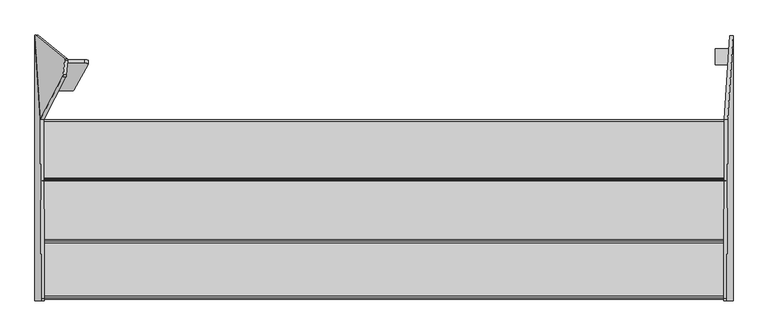
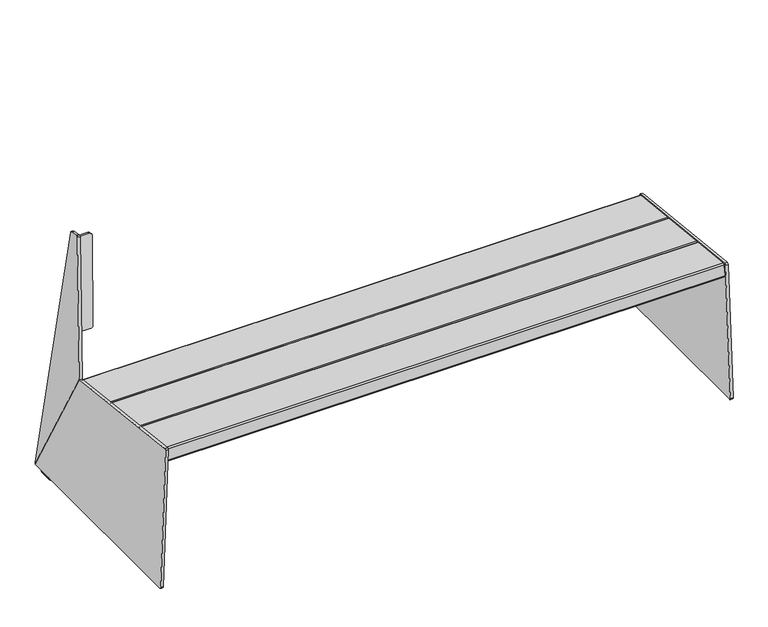
"""IFC4 building model written with IfcOpenShell, lengths in millimetres: furniture geometry."""

from ifc_helpers import new_model, si_unit, point, frame, frame_2d, origin, place, context, project, spatial, polyline, circle_curve, trimmed, segment, composite_curve, outline, extrude, source, transform, mapped, element, save
from ifc_brep_helpers import plane_surface, cylinder_surface, revolved_surface, advanced_brep


def furniture_b80bb761(model_context):
    return source(origin(), model_context, "Body", "SolidModel", [
        advanced_brep(
        [(873.0307512, 303.3438949, 8.0), (874.0654063, 303.3438949, 9.0714168), (874.0331922, 303.3438949, 9.9939083), (882.0283188, 303.3438949, 10.2731042), (882.0283188, 303.3438949, 8.2703475), (874.0907197, 303.3438949, 0.0), (836.3870635, 303.3438949, 0.0), (836.3870635, 303.3438949, 8.0), (873.0307512, 263.3438949, 8.0), (836.3870635, 263.3438949, 8.0), (836.3870635, 263.3438949, 0.0), (874.0907197, 263.3438949, 0.0), (882.0283188, 263.3438949, 8.2703475), (882.0283188, 263.3438949, 10.2731042), (874.0331922, 263.3438949, 9.9939083), (874.0654063, 263.3438949, 9.0714168), (874.0331922, -329.3438949, 9.9939083), (873.8935942, -333.3438949, 13.9914716), (858.5224217, -333.3438949, 454.1642618), (858.3836482, -328.9097929, 458.1382142), (860.1128644, 124.9540587, 408.6199423), (873.9954468, 336.0793859, 11.0747965), (874.0331922, 333.3438949, 9.9939083), (868.107991, 124.9540587, 408.8991383), (866.3787748, -328.9097929, 458.4174101), (866.5175483, -333.3438949, 454.4434578), (881.8887208, -333.3438949, 14.2706676), (882.0283188, -329.3438949, 10.2731042), (882.0283188, 333.3438949, 10.2731042), (881.9905734, 336.0793859, 11.3539925)],
        [
            (0, 1, circle_curve(frame((873.0307512, 303.3438949, 9.0352858), z_axis=(0.0, -1.0, 0.0), x_axis=(-1.0, 0.0, 0.0)), 1.0352858)),
            (1, 2),
            (2, 3),
            (3, 4),
            (4, 5, circle_curve(frame((873.7509968, 303.3438949, 8.2703475), z_axis=(0.0, 1.0, 0.0), x_axis=(-1.0, 0.0, 0.0)), 8.277322)),
            (5, 6),
            (6, 7),
            (7, 0),
            (8, 9),
            (9, 10),
            (10, 11),
            (11, 12, circle_curve(frame((873.7509968, 263.3438949, 8.2703475), z_axis=(0.0, -1.0, 0.0), x_axis=(-1.0, 0.0, 0.0)), 8.277322)),
            (12, 13),
            (13, 14),
            (14, 15),
            (15, 8, circle_curve(frame((873.0307512, 263.3438949, 9.0352858), z_axis=(0.0, 1.0, 0.0), x_axis=(-1.0, 0.0, 0.0)), 1.0352858)),
            (0, 8),
            (15, 1),
            (14, 16),
            (16, 17, circle_curve(frame((873.8935942, -329.3438949, 13.9914716), z_axis=(-0.9993908270190959, 0.0, -0.0348994967025008), x_axis=(0.0348994967025008, 0.0, -0.9993908270190959)), 4.0)),
            (17, 18),
            (18, 19, circle_curve(frame((858.5224217, -329.3438949, 454.1642618), z_axis=(-0.9993908270190959, 0.0, -0.0348994967025008), x_axis=(0.0348994967025008, 0.0, -0.9993908270190959)), 4.0)),
            (19, 20),
            (20, 21),
            (21, 22, circle_curve(frame((873.8935897, 333.3438949, 13.9916002), z_axis=(-0.9993908270190959, 0.0, -0.0348994967025008), x_axis=(0.0348994967025008, 0.0, -0.9993908270190959)), 4.0001287)),
            (22, 2),
            (5, 11),
            (10, 6),
            (9, 7),
            (3, 13),
            (12, 4),
            (23, 24),
            (24, 25, circle_curve(frame((866.5175483, -329.3438949, 454.4434578), z_axis=(0.9993908270190959, 0.0, 0.0348994967025008), x_axis=(0.0348994967025008, 0.0, -0.9993908270190959)), 4.0)),
            (25, 26),
            (26, 27, circle_curve(frame((881.8887208, -329.3438949, 14.2706676), z_axis=(0.9993908270190959, 0.0, 0.0348994967025008), x_axis=(0.0348994967025008, 0.0, -0.9993908270190959)), 4.0)),
            (27, 13),
            (3, 28),
            (28, 29, circle_curve(frame((881.8887163, 333.3438949, 14.2707962), z_axis=(0.9993908270190959, 0.0, 0.0348994967025008), x_axis=(0.0348994967025008, 0.0, -0.9993908270190959)), 4.0001287)),
            (29, 23),
            (29, 21),
            (20, 23),
            (28, 22),
            (27, 16),
            (26, 17),
            (25, 18),
            (24, 19),
        ],
        [
            plane_surface(frame((871.9954653, 303.3438949, 9.0352858), z_axis=(0.0, 1.0, 0.0), x_axis=(0.0, 0.0, -1.0))),
            plane_surface(frame((871.9954653, 263.3438949, 9.0352858), z_axis=(0.0, -1.0, 0.0), x_axis=(0.0, 0.0, 1.0))),
            revolved_surface(polyline([(871.9954654000001, 263.3438949, 9.0352858), (871.9954654000001, 303.3438949, 9.0352858)]), (873.0307512, 263.3438949, 9.0352858), (0.0, -1.0, 0.0)),
            plane_surface(frame((874.0654063, 303.3438949, 9.0714168), z_axis=(-0.9993908270190954, 0.0, -0.034899496702511176), x_axis=(0.0, -1.0, 0.0))),
            plane_surface(frame((874.0907197, 303.3438949, 0.0), z_axis=(0.0, 0.0, -1.0), x_axis=(0.0, -1.0, 0.0))),
            plane_surface(frame((836.3870635, 303.3438949, 0.0), z_axis=(-1.0, 0.0, 0.0), x_axis=(0.0, -1.0, 0.0))),
            plane_surface(frame((836.3870635, 303.3438949, 8.0), z_axis=(0.0, 0.0, 1.0), x_axis=(0.0, -1.0, 0.0))),
            plane_surface(frame((882.0283188, 303.3438949, 10.2731042), z_axis=(1.0, 0.0, 0.0), x_axis=(0.0, -1.0, 0.0))),
            cylinder_surface(frame((873.7509968, 263.3438949, 8.2703475), z_axis=(0.0, 1.0, 0.0), x_axis=(-1.0, 0.0, 0.0)), 8.277322),
            plane_surface(frame((866.3783233, -329.0282995, 458.4303396), z_axis=(0.9993908270190958, 0.0, 0.0348994967025008), x_axis=(-0.003787485651423016, -0.9940936645240769, 0.10845939841955862))),
            plane_surface(frame((881.9905734, 336.0793859, 11.3539925), z_axis=(-0.01636123681982749, 0.8832989769010681, 0.4685245215943901), x_axis=(-0.9993908270190959, 0.0, -0.03489949670249758))),
            cylinder_surface(frame((873.8935897, 333.3438949, 13.9916002), z_axis=(0.9993908270190959, 0.0, 0.0348994967025008), x_axis=(0.0348994967025008, 0.0, -0.9993908270190959)), 4.0001287),
            plane_surface(frame((882.0283188, -329.3438949, 10.2731042), z_axis=(0.03489949670249758, 0.0, -0.9993908270190959), x_axis=(-0.9993908270190959, 0.0, -0.03489949670249758))),
            cylinder_surface(frame((873.8935942, -329.3438949, 13.9914716), z_axis=(0.9993908270190959, 0.0, 0.0348994967025008), x_axis=(0.0348994967025008, 0.0, -0.9993908270190959)), 4.0),
            plane_surface(frame((866.5175483, -333.3438949, 454.4434578), z_axis=(0.0, -1.0, 0.0), x_axis=(-0.9993908270190959, 0.0, -0.03489949670249758))),
            cylinder_surface(frame((858.5224217, -329.3438949, 454.1642618), z_axis=(0.9993908270190959, 0.0, 0.0348994967025008), x_axis=(0.0348994967025008, 0.0, -0.9993908270190959)), 4.0),
            plane_surface(frame((868.107991, 124.9540587, 408.8991383), z_axis=(-0.03469336856704016, 0.10852550922751891, 0.9934880895231605), x_axis=(-0.9993908270190955, 0.0, -0.034899496702506035))),
        ],
        [
            (0, [[1, 2, 3, 4, 5, 6, 7, 8]]),
            (1, [[9, 10, 11, 12, 13, 14, 15, 16]]),
            (2, [[-1, 17, -16, 18]]),
            (3, [[-2, -18, -15, 19, 20, 21, 22, 23, 24, 25, 26]]),
            (4, [[-6, 27, -11, 28]]),
            (5, [[-7, -28, -10, 29]]),
            (6, [[-8, -29, -9, -17]]),
            (7, [[-4, 30, -13, 31]]),
            (8, [[-5, -31, -12, -27]]),
            (9, [[32, 33, 34, 35, 36, -30, 37, 38, 39]]),
            (10, [[-39, 40, -24, 41]]),
            (11, [[-38, 42, -25, -40]]),
            (12, [[-42, -37, -3, -26]]),
            (12, [[43, -19, -14, -36]]),
            (13, [[-35, 44, -20, -43]]),
            (14, [[-34, 45, -21, -44]]),
            (15, [[-33, 46, -22, -45]]),
            (16, [[-32, -41, -23, -46]]),
        ],
    ),
        advanced_brep(
        [(-811.3096872, 233.1863633, 787.1699382), (-810.3276205, 238.1221055, 789.8133119), (-806.4856825, 274.3357333, 778.4787482), (-806.476674, 277.1577, 774.9426086), (-881.1339288, 337.9713039, 14.8944279), (-881.7986014, 336.1005897, 11.2206695), (-867.9108416, 124.8996282, 408.9101314), (-803.4334696, 232.080936, 786.3078325), (-860.0346239, 123.794201, 408.0480257), (-873.9223837, 334.9951625, 10.3585639), (-873.2577111, 336.8658767, 14.0323223), (-798.6004563, 276.0522727, 774.080503), (-798.6094648, 273.230306, 777.6166426), (-802.4514029, 237.0166783, 788.9512062), (-800.4996194, 275.0977695, 757.9536062), (-838.1688084, 205.1850931, 503.4518959), (-839.1302779, 196.4631475, 505.8515241), (-801.461089, 266.3758239, 760.3532344), (-755.3146024, 275.0158862, 757.8881152), (-747.4133782, 272.5788357, 749.0639533), (-783.5721679, 206.9046912, 509.9877088), (-791.5034385, 205.1005271, 503.3842593), (-791.5157714, 196.3768615, 505.7825119), (-783.5845007, 198.1810256, 512.3859614), (-747.4257111, 263.8551701, 751.4622058), (-755.3269352, 266.2922205, 760.2863677)],
        [
            (0, 1, circle_curve(frame((-810.9011589, 236.9951872, 786.0184326), z_axis=(-0.9845272064646956, 0.1381784067166262, 0.10776320173453151), x_axis=(-0.10809843818608315, 0.005098251508800459, -0.9941271224009949)), 4.0)),
            (1, 2),
            (2, 3, circle_curve(frame((-807.0592208, 273.2088149, 774.683869), z_axis=(-0.9845272064646956, 0.1381784067166262, 0.10776320173453151), x_axis=(-0.10809843818608315, 0.005098251508800459, -0.9941271224009949)), 4.0)),
            (3, 4),
            (4, 5, circle_curve(frame((-881.7160714, 334.025159, 14.6358678), z_axis=(-0.9845272064646956, 0.1381784067166262, 0.10776320173453151), x_axis=(-0.10809843818608315, 0.005098251508800459, -0.9941271224009949)), 3.9972244)),
            (5, 6),
            (6, 0),
            (7, 8),
            (8, 9),
            (9, 10, circle_curve(frame((-873.8398538, 332.9197317, 13.7737622), z_axis=(0.9845272064646956, -0.1381784067166262, -0.10776320173453151), x_axis=(-0.10809843818608315, 0.005098251508800459, -0.9941271224009949)), 3.9972244)),
            (10, 11),
            (11, 12, circle_curve(frame((-799.1830032, 272.1033877, 773.8217633), z_axis=(0.9845272064646956, -0.1381784067166262, -0.10776320173453151), x_axis=(-0.10809843818608315, 0.005098251508800459, -0.9941271224009949)), 4.0)),
            (12, 13),
            (13, 7, circle_curve(frame((-803.0249412, 235.8897599, 785.156327), z_axis=(0.9845272064646956, -0.1381784067166262, -0.10776320173453151), x_axis=(-0.10809843818608315, 0.005098251508800459, -0.9941271224009949)), 4.0)),
            (14, 15),
            (15, 16),
            (16, 17),
            (17, 14),
            (0, 7),
            (13, 1),
            (12, 2),
            (11, 3),
            (10, 4),
            (9, 5),
            (8, 6),
            (18, 19, circle_curve(frame((-755.3296256, 272.8952788, 750.1743095), z_axis=(0.0013631459484884367, 0.9642258427672697, -0.26507860338562145), x_axis=(0.14431455675225052, 0.2621142782788856, 0.9541852093968657)), 8.0)),
            (19, 20),
            (20, 21, circle_curve(frame((-791.4884153, 207.2211344, 511.098065), z_axis=(0.0013631459484884367, 0.9642258427672697, -0.26507860338562145), x_axis=(0.14431455675225052, 0.2621142782788856, 0.9541852093968657)), 8.0)),
            (21, 15),
            (14, 18),
            (22, 23, circle_curve(frame((-791.5007481, 198.4974688, 513.4963176), z_axis=(-0.0013631459484884367, -0.9642258427672697, 0.26507860338562145), x_axis=(0.14431455675225052, 0.2621142782788856, 0.9541852093968657)), 8.0)),
            (23, 24),
            (24, 25, circle_curve(frame((-755.3419585, 264.1716132, 752.572562), z_axis=(-0.0013631459484884367, -0.9642258427672697, 0.26507860338562145), x_axis=(0.14431455675225052, 0.2621142782788856, 0.9541852093968657)), 8.0)),
            (25, 17),
            (16, 22),
            (18, 25),
            (24, 19),
            (23, 20),
            (22, 21),
        ],
        [
            plane_surface(frame((-811.3335526, 237.0155802, 782.0419241), z_axis=(-0.9845272064646957, 0.13817840671662623, 0.10776320173453155), x_axis=(-0.13791630575299016, -0.9903942324896727, 0.009917502641294944))),
            plane_surface(frame((-803.457335, 235.9101529, 781.1798185), z_axis=(0.9845272064646957, -0.13817840671662623, -0.10776320173453155), x_axis=(0.13791630575299016, 0.9903942324896727, -0.009917502641294944))),
            cylinder_surface(frame((-803.0249412, 235.8897599, 785.156327), z_axis=(-0.9845272064646956, 0.1381784067166262, 0.10776320173453151), x_axis=(-0.10809843818608315, 0.005098251508800459, -0.9941271224009949)), 4.0),
            plane_surface(frame((-810.3276205, 238.1221055, 789.8133119), z_axis=(0.1433845912445866, 0.28172958840366474, 0.9487198206064447), x_axis=(0.9845272064646949, -0.13817840671662657, -0.10776320173453655))),
            cylinder_surface(frame((-799.1830032, 272.1033877, 773.8217633), z_axis=(-0.9845272064646956, 0.1381784067166262, 0.10776320173453151), x_axis=(-0.10809843818608315, 0.005098251508800459, -0.9941271224009949)), 4.0),
            plane_surface(frame((-806.476674, 277.1577, 774.9426086), z_axis=(0.14563671969423853, 0.9872212562883773, 0.06468490557386689), x_axis=(0.9845272064646949, -0.13817840671662657, -0.10776320173453655))),
            cylinder_surface(frame((-873.8398538, 332.9197317, 13.7737622), z_axis=(-0.9845272064646956, 0.1381784067166262, 0.10776320173453151), x_axis=(-0.10809843818608315, 0.005098251508800459, -0.9941271224009949)), 3.9972244),
            plane_surface(frame((-881.7986014, 336.1005897, 11.2206695), z_axis=(-0.1724989104392053, -0.8724250405319145, -0.45729495355861344), x_axis=(0.9845272064646944, -0.13817840671663073, -0.10776320173453648))),
            plane_surface(frame((-867.9108416, 124.8996282, 408.9101314), z_axis=(-0.1021320908307664, -0.9522059736125503, 0.28787639680792054), x_axis=(0.9845272064646949, -0.13817840671662657, -0.10776320173453655))),
            plane_surface(frame((-754.1751092, 274.9921931, 757.8077911), z_axis=(0.0013631459484884229, 0.9642258427672699, -0.2650786033856216), x_axis=(0.9895309245003537, -0.03955539485439853, -0.13879452509154702))),
            plane_surface(frame((-754.187442, 266.2685275, 760.2060437), z_axis=(-0.0013631459484884229, -0.9642258427672699, 0.2650786033856216), x_axis=(-0.9895309245003537, 0.03955539485439853, 0.13879452509154702))),
            cylinder_surface(frame((-755.3419585, 264.1716132, 752.572562), z_axis=(0.0013631459484884367, 0.9642258427672697, -0.26507860338562145), x_axis=(0.14431455675225052, 0.2621142782788856, 0.9541852093968657)), 8.0),
            plane_surface(frame((-747.4133782, 272.5788357, 749.0639533), z_axis=(0.9895309245003534, -0.0395553948543983, -0.13879452509154827), x_axis=(-0.001363145948487987, -0.9642258427672699, 0.2650786033856207))),
            cylinder_surface(frame((-791.5007481, 198.4974688, 513.4963176), z_axis=(0.0013631459484884367, 0.9642258427672697, -0.26507860338562145), x_axis=(0.14431455675225052, 0.2621142782788856, 0.9541852093968657)), 8.0),
            plane_surface(frame((-791.5034385, 205.1005271, 503.3842593), z_axis=(-0.0018779099002744323, -0.2650759139656631, -0.9642257169821155), x_axis=(-0.001363145948487987, -0.9642258427672699, 0.2650786033856207))),
            plane_surface(frame((-803.4248413, 275.1030705, 757.957846), z_axis=(0.0018779099002689827, 0.2650759139656631, 0.9642257169821156), x_axis=(-0.001363145948487987, -0.9642258427672699, 0.2650786033856207))),
        ],
        [
            (0, [[1, 2, 3, 4, 5, 6, 7]]),
            (1, [[8, 9, 10, 11, 12, 13, 14], [15, 16, 17, 18]]),
            (2, [[-1, 19, -14, 20]]),
            (3, [[-2, -20, -13, 21]]),
            (4, [[-3, -21, -12, 22]]),
            (5, [[-4, -22, -11, 23]]),
            (6, [[-5, -23, -10, 24]]),
            (7, [[-6, -24, -9, 25]]),
            (8, [[-7, -25, -8, -19]]),
            (9, [[26, 27, 28, 29, -15, 30]]),
            (10, [[31, 32, 33, 34, -17, 35]]),
            (11, [[-26, 36, -33, 37]]),
            (12, [[-27, -37, -32, 38]]),
            (13, [[-28, -38, -31, 39]]),
            (14, [[-39, -35, -16, -29]]),
            (15, [[-36, -30, -18, -34]]),
        ],
    ),
        advanced_brep(
        [(-867.8018633, 124.9540587, 408.8991383), (-881.6844457, 336.0793859, 11.3539925), (-881.7221912, 333.3438949, 10.2731042), (-881.7221912, 303.3438949, 10.2731042), (-881.7221912, 263.3438949, 10.2731042), (-881.7221912, -329.3438949, 10.2731042), (-881.5825932, -333.3438949, 14.2706676), (-866.2114206, -333.3438949, 454.4434578), (-866.0726472, -328.9097929, 458.4174101), (-859.8067367, 124.9540587, 408.6199423), (-858.0775206, -328.9097929, 458.1382142), (-858.216294, -333.3438949, 454.1642618), (-873.5874666, -333.3438949, 13.9914716), (-873.7270646, -329.3438949, 9.9939083), (-873.7270646, 263.3438949, 9.9939083), (-873.7592787, 263.3438949, 9.0714168), (-873.7592787, 303.3438949, 9.0714168), (-873.7270646, 303.3438949, 9.9939083), (-873.7270646, 333.3438949, 9.9939083), (-873.6893191, 336.0793859, 11.0747965), (-872.7246235, 303.3438949, 8.0), (-836.0809359, 303.3438949, 8.0), (-836.0809359, 303.3438949, 0.0), (-873.7845921, 303.3438949, 0.0), (-881.7221912, 303.3438949, 8.2703475), (-872.7246235, 263.3438949, 8.0), (-881.7221912, 263.3438949, 8.2703475), (-873.7845921, 263.3438949, 0.0), (-836.0809359, 263.3438949, 0.0), (-836.0809359, 263.3438949, 8.0)],
        [
            (0, 1),
            (1, 2, circle_curve(frame((-881.5825887, 333.3438949, 14.2707962), z_axis=(-0.9993908270190959, 0.0, 0.0348994967025008), x_axis=(-0.0348994967025008, 0.0, -0.9993908270190959)), 4.0001287)),
            (2, 3),
            (3, 4),
            (4, 5),
            (5, 6, circle_curve(frame((-881.5825932, -329.3438949, 14.2706676), z_axis=(-0.9993908270190959, 0.0, 0.0348994967025008), x_axis=(-0.0348994967025008, 0.0, -0.9993908270190959)), 4.0)),
            (6, 7),
            (7, 8, circle_curve(frame((-866.2114206, -329.3438949, 454.4434578), z_axis=(-0.9993908270190959, 0.0, 0.0348994967025008), x_axis=(-0.0348994967025008, 0.0, -0.9993908270190959)), 4.0)),
            (8, 0),
            (9, 10),
            (10, 11, circle_curve(frame((-858.216294, -329.3438949, 454.1642618), z_axis=(0.9993908270190959, 0.0, -0.0348994967025008), x_axis=(-0.0348994967025008, 0.0, -0.9993908270190959)), 4.0)),
            (11, 12),
            (12, 13, circle_curve(frame((-873.5874666, -329.3438949, 13.9914716), z_axis=(0.9993908270190959, 0.0, -0.0348994967025008), x_axis=(-0.0348994967025008, 0.0, -0.9993908270190959)), 4.0)),
            (13, 14),
            (14, 15),
            (15, 16),
            (16, 17),
            (17, 18),
            (18, 19, circle_curve(frame((-873.5874621, 333.3438949, 13.9916002), z_axis=(0.9993908270190959, 0.0, -0.0348994967025008), x_axis=(-0.0348994967025008, 0.0, -0.9993908270190959)), 4.0001287)),
            (19, 9),
            (0, 9),
            (19, 1),
            (18, 2),
            (17, 3),
            (13, 5),
            (4, 14),
            (12, 6),
            (11, 7),
            (10, 8),
            (20, 21),
            (21, 22),
            (22, 23),
            (23, 24, circle_curve(frame((-873.4448692, 303.3438949, 8.2703475), z_axis=(0.0, 1.0, 0.0), x_axis=(1.0, 0.0, 0.0)), 8.277322)),
            (24, 3),
            (16, 20, circle_curve(frame((-872.7246235, 303.3438949, 9.0352858), z_axis=(0.0, -1.0, 0.0), x_axis=(1.0, 0.0, 0.0)), 1.0352858)),
            (25, 15, circle_curve(frame((-872.7246235, 263.3438949, 9.0352858), z_axis=(0.0, 1.0, 0.0), x_axis=(1.0, 0.0, 0.0)), 1.0352858)),
            (4, 26),
            (26, 27, circle_curve(frame((-873.4448692, 263.3438949, 8.2703475), z_axis=(0.0, -1.0, 0.0), x_axis=(1.0, 0.0, 0.0)), 8.277322)),
            (27, 28),
            (28, 29),
            (29, 25),
            (25, 20),
            (22, 28),
            (27, 23),
            (21, 29),
            (24, 26),
        ],
        [
            plane_surface(frame((-867.7611698, 124.3351949, 410.0644476), z_axis=(-0.9993908270190959, 0.0, 0.0348994967025008), x_axis=(-0.030826689731681154, 0.46881010804538603, -0.8827608950302795))),
            plane_surface(frame((-859.7660432, 124.3351949, 409.7852516), z_axis=(0.9993908270190959, 0.0, -0.0348994967025008), x_axis=(0.030826689731681154, -0.46881010804538603, 0.8827608950302795))),
            plane_surface(frame((-867.8018633, 124.9540587, 408.8991383), z_axis=(0.01636123681982749, 0.8832989769010681, 0.4685245215943901), x_axis=(0.9993908270190959, 0.0, -0.03489949670249758))),
            cylinder_surface(frame((-873.5874621, 333.3438949, 13.9916002), z_axis=(-0.9993908270190959, 0.0, 0.0348994967025008), x_axis=(-0.0348994967025008, 0.0, -0.9993908270190959)), 4.0001287),
            plane_surface(frame((-881.7221912, 333.3438949, 10.2731042), z_axis=(-0.03489949670249758, 0.0, -0.9993908270190959), x_axis=(0.9993908270190959, 0.0, -0.03489949670249758))),
            cylinder_surface(frame((-873.5874666, -329.3438949, 13.9914716), z_axis=(-0.9993908270190959, 0.0, 0.0348994967025008), x_axis=(-0.0348994967025008, 0.0, -0.9993908270190959)), 4.0),
            plane_surface(frame((-881.5825932, -333.3438949, 14.2706676), z_axis=(0.0, -1.0, 0.0), x_axis=(0.9993908270190959, 0.0, -0.03489949670249758))),
            cylinder_surface(frame((-858.216294, -329.3438949, 454.1642618), z_axis=(-0.9993908270190959, 0.0, 0.0348994967025008), x_axis=(-0.0348994967025008, 0.0, -0.9993908270190959)), 4.0),
            plane_surface(frame((-866.0726472, -328.9097929, 458.4174101), z_axis=(0.03469336856703176, 0.1085255092275189, 0.9934880895231608), x_axis=(0.9993908270190959, 0.0, -0.03489949670249758))),
            plane_surface(frame((-836.0809359, 303.3438949, 8.0), z_axis=(0.0, 1.0, 0.0), x_axis=(1.0, 0.0, 0.0))),
            plane_surface(frame((-836.0809359, 263.3438949, 8.0), z_axis=(0.0, -1.0, 0.0), x_axis=(-1.0, 0.0, 0.0))),
            revolved_surface(polyline([(-871.6893377, 263.3438949, 9.0352858), (-871.6893377, 303.3438949, 9.0352858)]), (-872.7246235, 263.3438949, 9.0352858), (0.0, -1.0, 0.0)),
            plane_surface(frame((-836.0809359, 303.3438949, 0.0), z_axis=(0.0, 0.0, -1.0), x_axis=(0.0, -1.0, 0.0))),
            plane_surface(frame((-836.0809359, 303.3438949, 8.0), z_axis=(1.0, 0.0, 0.0), x_axis=(0.0, -1.0, 0.0))),
            plane_surface(frame((-872.7246235, 303.3438949, 8.0), z_axis=(0.0, 0.0, 1.0), x_axis=(0.0, -1.0, 0.0))),
            plane_surface(frame((-881.7221912, 303.3438949, 8.2703475), z_axis=(-1.0, 0.0, 0.0), x_axis=(0.0, -1.0, 0.0))),
            cylinder_surface(frame((-873.4448692, 263.3438949, 8.2703475), z_axis=(0.0, 1.0, 0.0), x_axis=(1.0, 0.0, 0.0)), 8.277322),
        ],
        [
            (0, [[1, 2, 3, 4, 5, 6, 7, 8, 9]]),
            (1, [[10, 11, 12, 13, 14, 15, 16, 17, 18, 19, 20]]),
            (2, [[-1, 21, -20, 22]]),
            (3, [[-2, -22, -19, 23]]),
            (4, [[-23, -18, 24, -3]]),
            (4, [[25, -5, 26, -14]]),
            (5, [[-6, -25, -13, 27]]),
            (6, [[-7, -27, -12, 28]]),
            (7, [[-8, -28, -11, 29]]),
            (8, [[-9, -29, -10, -21]]),
            (9, [[30, 31, 32, 33, 34, -24, -17, 35]]),
            (10, [[36, -15, -26, 37, 38, 39, 40, 41]]),
            (11, [[-35, -16, -36, 42]]),
            (12, [[-32, 43, -39, 44]]),
            (13, [[-31, 45, -40, -43]]),
            (14, [[-30, -42, -41, -45]]),
            (15, [[-34, 46, -37, -4]]),
            (16, [[-33, -44, -38, -46]]),
        ],
    ),
        extrude(outline(composite_curve([segment(polyline([(123.8864292, 402.9372021), (120.1847471, 369.0041334)]), True, "CONTINUOUS"), segment(trimmed(circle_curve(frame_2d((116.2083371, 369.4379111)), 4.0), [point((120.1847471, 369.0041334))], [point((115.7745594, 365.461501))], False, "CARTESIAN"), True, "CONTINUOUS"), segment(polyline([(115.7745594, 365.461501), (-27.3755808, 381.0774276)]), True, "CONTINUOUS"), segment(trimmed(circle_curve(frame_2d((-26.9418032, 385.0538377)), 4.0), [point((-27.3755808, 381.0774276))], [point((-30.9182132, 385.4876153))], False, "CARTESIAN"), True, "CONTINUOUS"), segment(polyline([(-30.9182132, 385.4876153), (-27.2162834, 419.4229549)]), True, "CONTINUOUS"), segment(trimmed(circle_curve(frame_2d((-23.2398734, 418.9891773)), 4.0), [point((-27.2162834, 419.4229549))], [point((-22.8060327, 422.9655805))], False, "CARTESIAN"), True, "CONTINUOUS"), segment(polyline([(-22.8060327, 422.9655805), (120.3438599, 407.3473829)]), True, "CONTINUOUS"), segment(trimmed(circle_curve(frame_2d((119.9100192, 403.3709797)), 4.0), [point((120.3438599, 407.3473829))], [point((123.8864292, 402.9372021))], False, "CARTESIAN"), True, "CONTINUOUS")], self_intersect=False)), frame((-863.110411, 0.0, 0.0), z_axis=(1.0, 0.0, 0.0), x_axis=(0.0, 1.0, 0.0)), (0.0, 0.0, 1.0), 1726.6995595),
        extrude(outline(composite_curve([segment(polyline([(-27.2162697, 419.4230811), (-30.9182058, 385.4876832)]), True, "CONTINUOUS"), segment(trimmed(circle_curve(frame_2d((-34.8946159, 385.9214608)), 4.0), [point((-30.9182058, 385.4876832))], [point((-35.3283935, 381.9450507))], False, "CARTESIAN"), True, "CONTINUOUS"), segment(polyline([(-35.3283935, 381.9450507), (-183.261477, 398.0827379)]), True, "CONTINUOUS"), segment(trimmed(circle_curve(frame_2d((-182.8276994, 402.0591479)), 4.0), [point((-183.261477, 398.0827379))], [point((-186.8041095, 402.4929256))], False, "CARTESIAN"), True, "CONTINUOUS"), segment(polyline([(-186.8041095, 402.4929256), (-183.1019173, 436.4306702)]), True, "CONTINUOUS"), segment(trimmed(circle_curve(frame_2d((-179.1255072, 435.9968926)), 4.0), [point((-183.1019173, 436.4306702))], [point((-178.6916665, 439.9732958))], False, "CARTESIAN"), True, "CONTINUOUS"), segment(polyline([(-178.6916665, 439.9732958), (-30.758839, 423.8332619)]), True, "CONTINUOUS"), segment(trimmed(circle_curve(frame_2d((-31.1926797, 419.8568587)), 4.0), [point((-30.758839, 423.8332619))], [point((-27.2162697, 419.4230811))], False, "CARTESIAN"), True, "CONTINUOUS")], self_intersect=False)), frame((-863.110411, 0.0, 0.0), z_axis=(1.0, 0.0, 0.0), x_axis=(0.0, 1.0, 0.0)), (0.0, 0.0, 1.0), 1726.6995595),
        extrude(outline(composite_curve([segment(polyline([(-183.1019035, 436.4307964), (-186.804098, 402.4930306)]), True, "CONTINUOUS"), segment(trimmed(circle_curve(frame_2d((-190.7805081, 402.9268082)), 4.0), [point((-186.804098, 402.4930306))], [point((-191.2142857, 398.9503981))], False, "CARTESIAN"), True, "CONTINUOUS"), segment(polyline([(-191.2142857, 398.9503981), (-325.6063165, 413.6109223)]), True, "CONTINUOUS"), segment(trimmed(circle_curve(frame_2d((-325.1725389, 417.5873324)), 4.0), [point((-325.6063165, 413.6109223))], [point((-329.148949, 418.02111))], False, "CARTESIAN"), True, "CONTINUOUS"), segment(polyline([(-329.148949, 418.02111), (-325.4465219, 451.9610078)]), True, "CONTINUOUS"), segment(trimmed(circle_curve(frame_2d((-321.4701118, 451.5272302)), 4.0), [point((-325.4465219, 451.9610078))], [point((-321.0362711, 455.5036334))], False, "CARTESIAN"), True, "CONTINUOUS"), segment(polyline([(-321.0362711, 455.5036334), (-186.6444729, 440.8409772)]), True, "CONTINUOUS"), segment(trimmed(circle_curve(frame_2d((-187.0783136, 436.864574)), 4.0), [point((-186.6444729, 440.8409772))], [point((-183.1019035, 436.4307964))], False, "CARTESIAN"), True, "CONTINUOUS")], self_intersect=False)), frame((-863.110411, 0.0, 0.0), z_axis=(1.0, 0.0, 0.0), x_axis=(0.0, 1.0, 0.0)), (0.0, 0.0, 1.0), 1726.6995595),
    ])


if __name__ == "__main__":
    model = new_model("IFC4")
    model_context = context("Model", 3, world=origin())
    ifc_project = project(units=[si_unit("LENGTHUNIT", "METRE", prefix="MILLI")], contexts=[model_context])
    site = spatial("IfcSite", under=ifc_project)
    building = spatial("IfcBuilding", under=site)
    placement = place(None, origin())
    furniture_shape = furniture_b80bb761(model_context)
    element("IfcFurniture", 1, at=placement, inside=building, context=model_context, shape_type="MappedRepresentation", body=[
        mapped(furniture_shape, transform((0.0, 0.0, 0.0), x_axis=(1.0, 0.0, 0.0), y_axis=(0.0, 1.0, 0.0), z_axis=(0.0, 0.0, 1.0))),
    ])
    save(model, "model.ifc")
